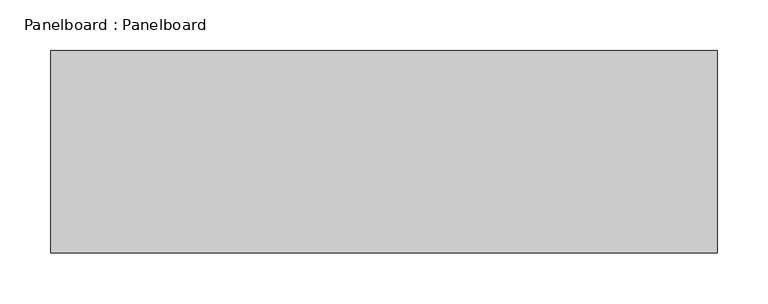
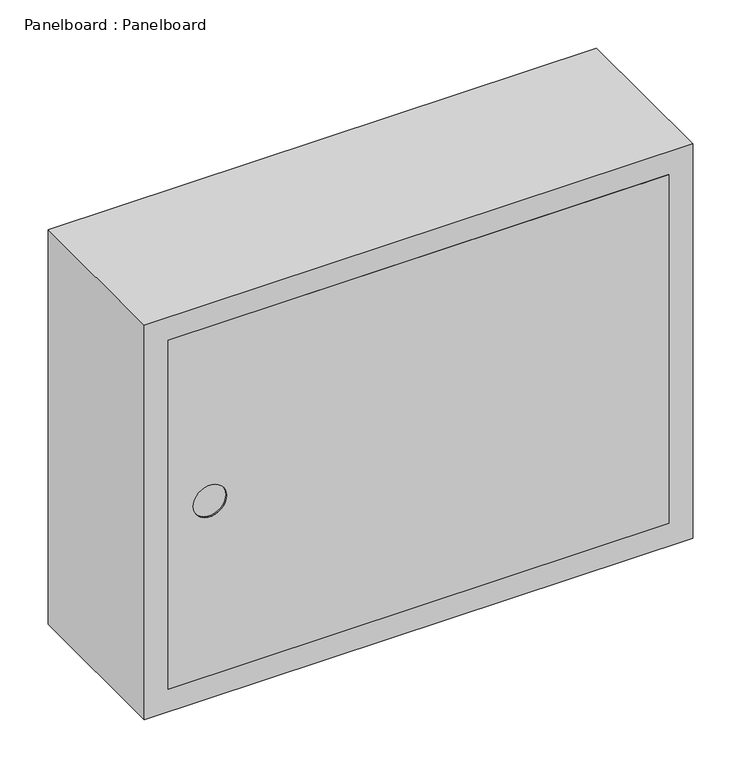
"""IFC4 building model written with IfcOpenShell, lengths in millimetres: proxy geometry, Panelboard : Panelboard."""

from ifc_helpers import new_model, si_unit, frame, origin, place, context, project, spatial, polyline, circle_curve, faceted_brep, source, transform, mapped, element, save
from ifc_brep_helpers import plane_surface, revolved_surface, advanced_brep


def panelboard_panelboard_f5199b7c(model_context):
    return source(origin(), model_context, "Body", "SolidModel", [
        advanced_brep(
        [(300.275, -190.0, 471.0), (300.275, -190.0, 28.725), (-300.275, -190.0, 28.725), (-300.275, -190.0, 471.0), (300.275, -200.0, 471.0), (-300.275, -200.0, 471.0), (-300.275, -200.0, 28.725), (300.275, -200.0, 28.725), (-230.275, -200.0, 250.0), (-270.275, -200.0, 250.0), (-230.275, -198.0, 250.0), (-270.275, -198.0, 250.0)],
        [
            (0, 1),
            (1, 2),
            (2, 3),
            (3, 0),
            (4, 5),
            (5, 6),
            (6, 7),
            (7, 4),
            (8, 9, circle_curve(frame((-250.275, -200.0, 250.0), z_axis=(0.0, 1.0, 0.0), x_axis=(-1.0, 0.0, 0.0)), 20.0)),
            (9, 8, circle_curve(frame((-250.275, -200.0, 250.0), z_axis=(0.0, 1.0, 0.0), x_axis=(-1.0, 0.0, 0.0)), 20.0)),
            (3, 5),
            (4, 0),
            (2, 6),
            (1, 7),
            (10, 11, circle_curve(frame((-250.275, -198.0, 250.0), z_axis=(0.0, -1.0, 0.0), x_axis=(-1.0, 0.0, 0.0)), 20.0)),
            (11, 10, circle_curve(frame((-250.275, -198.0, 250.0), z_axis=(0.0, -1.0, 0.0), x_axis=(-1.0, 0.0, 0.0)), 20.0)),
            (11, 9),
            (8, 10),
        ],
        [
            plane_surface(frame((300.275, -190.0, 471.0), z_axis=(0.0, 1.0, 0.0), x_axis=(0.0, 0.0, -1.0))),
            plane_surface(frame((300.275, -200.0, 471.0), z_axis=(0.0, -1.0, 0.0), x_axis=(0.0, 0.0, 1.0))),
            plane_surface(frame((-300.275, -190.0, 471.0), z_axis=(0.0, 0.0, 1.0), x_axis=(0.0, -1.0, 0.0))),
            plane_surface(frame((-300.275, -190.0, 28.725), z_axis=(-1.0, 0.0, 0.0), x_axis=(0.0, -1.0, 0.0))),
            plane_surface(frame((300.275, -190.0, 28.725), z_axis=(0.0, 0.0, -1.0), x_axis=(0.0, -1.0, 0.0))),
            plane_surface(frame((300.275, -190.0, 471.0), z_axis=(1.0, 0.0, 0.0), x_axis=(0.0, -1.0, 0.0))),
            plane_surface(frame((-270.275, -198.0, 250.0), z_axis=(0.0, -1.0, 0.0), x_axis=(0.0, 0.0, 1.0))),
            revolved_surface(polyline([(-270.275, -198.0, 250.0), (-270.275, -200.0, 250.0)]), (-250.275, -200.0, 250.0), (0.0, 1.0, 0.0)),
        ],
        [
            (0, [[1, 2, 3, 4]]),
            (1, [[5, 6, 7, 8], [9, 10]]),
            (2, [[-4, 11, -5, 12]]),
            (3, [[-3, 13, -6, -11]]),
            (4, [[-2, 14, -7, -13]]),
            (5, [[-1, -12, -8, -14]]),
            (6, [[15, 16]]),
            (7, [[-16, 17, -9, 18]]),
            (7, [[-15, -18, -10, -17]]),
        ],
    ),
        faceted_brep([(329.0, 0.0, 500.0), (329.0, 0.0, 0.0), (-329.0, 0.0, 0.0), (-329.0, 0.0, 500.0), (329.0, -200.0, 500.0), (-329.0, -200.0, 500.0), (-329.0, -200.0, 0.0), (329.0, -200.0, 0.0), (300.275, -200.0, 471.0), (300.275, -200.0, 28.725), (-300.275, -200.0, 28.725), (-300.275, -200.0, 471.0), (300.275, -10.0, 471.0), (300.275, -10.0, 28.725), (-300.275, -10.0, 28.725), (-300.275, -10.0, 471.0)], [[[0, 1, 2, 3]], [[4, 5, 6, 7], [8, 9, 10, 11]], [[0, 3, 5, 4]], [[3, 2, 6, 5]], [[2, 1, 7, 6]], [[1, 0, 4, 7]], [[9, 8, 12, 13]], [[10, 9, 13, 14]], [[11, 10, 14, 15]], [[8, 11, 15, 12]], [[13, 12, 15, 14]]]),
    ])


if __name__ == "__main__":
    model = new_model("IFC4")
    model_context = context("Model", 3, world=origin())
    ifc_project = project(units=[si_unit("LENGTHUNIT", "METRE", prefix="MILLI")], contexts=[model_context])
    site = spatial("IfcSite", under=ifc_project)
    building = spatial("IfcBuilding", under=site)
    placement = place(None, origin())
    panelboard_panelboard_shape = panelboard_panelboard_f5199b7c(model_context)
    element("IfcBuildingElementProxy", 1, Name="Panelboard : Panelboard", ObjectType="Panelboard : Panelboard", at=placement, inside=building, context=model_context, shape_type="MappedRepresentation", body=[
        mapped(panelboard_panelboard_shape, transform((0.0, 0.0, 0.0), x_axis=(1.0, 0.0, 0.0), y_axis=(0.0, 1.0, 0.0), z_axis=(0.0, 0.0, 1.0))),
    ])
    save(model, "model.ifc")
